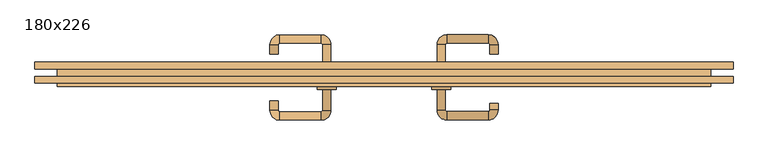
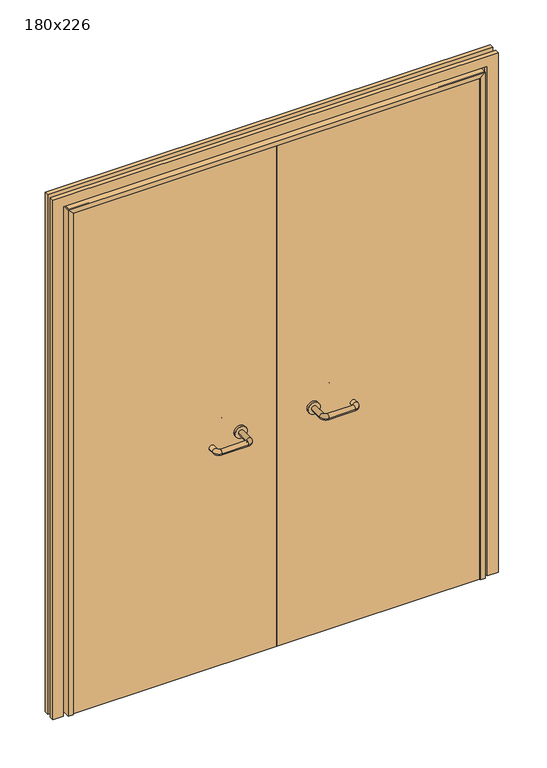
"""IFC4 building model written with IfcOpenShell, lengths in millimetres: door geometry, 180x226."""

import ifcopenshell
import ifcopenshell.guid

model = None  # the IFC model being written
_history = None  # IfcOwnerHistory: only IFC2X3 demands one
_inside = {}  # id of a spatial element -> (the spatial element, [elements in it])
_under = {}  # id of a project, library or spatial element -> (it, [spatial elements below it])
_declared = {}  # id of a project -> (the project, [libraries it declares])
_typed = {}  # id of a type object -> (the type object, [elements of that type])
_made_of = {}  # id of a material, layer set ... -> (it, [elements and type objects made of it])


def new_model(schema):
    """Start an empty IFC model of exactly this schema.

    Asked for "IFC4X3", IfcOpenShell would pick the latest addendum, in which some entities
    have other attributes; the version numbers below select the first issue.
    IFC2X3 requires an IfcOwnerHistory on every rooted entity: one is made here for all.
    """
    global model, _history
    if schema == "IFC4X3":
        model = ifcopenshell.file(schema_version=(4, 3, 0, 0))
    else:
        model = ifcopenshell.file(schema=schema)
    _inside.clear()
    _under.clear()
    _declared.clear()
    _typed.clear()
    _made_of.clear()
    _history = None
    if model.schema == "IFC2X3":
        org = make("IfcOrganization", Name="unknown")
        user = make(
            "IfcPersonAndOrganization",
            ThePerson=make("IfcPerson", FamilyName="unknown"),
            TheOrganization=org,
        )
        app = make(
            "IfcApplication",
            ApplicationDeveloper=org,
            Version="unknown",
            ApplicationFullName="unknown",
            ApplicationIdentifier="unknown",
        )
        _history = make(
            "IfcOwnerHistory",
            OwningUser=user,
            OwningApplication=app,
            ChangeAction="ADDED",
            CreationDate=0,
        )
    return model


def make(cls, **values):
    """One entity of the class cls with the attributes given. An attribute that is None is left unset."""
    return model.create_entity(
        cls, **{name: value for name, value in values.items() if value is not None}
    )


def rooted(cls, **values):
    """An entity with a GlobalId (a new one), such as an element, a storey or a relation."""
    return make(cls, GlobalId=ifcopenshell.guid.new(), OwnerHistory=_history, **values)


def si_unit(unit_type, name, prefix=None):
    """IfcSIUnit, for example si_unit("LENGTHUNIT", "METRE", prefix="MILLI")."""
    return make("IfcSIUnit", UnitType=unit_type, Prefix=prefix, Name=name)


def assignment(units):
    """IfcUnitAssignment: the units of a project."""
    return None if units is None else make("IfcUnitAssignment", Units=units)


def point(xyz):
    """IfcCartesianPoint."""
    return None if xyz is None else make("IfcCartesianPoint", Coordinates=xyz)


def direction(xyz):
    """IfcDirection."""
    return None if xyz is None else make("IfcDirection", DirectionRatios=xyz)


def frame(location, z_axis=None, x_axis=None):
    """IfcAxis2Placement3D, a coordinate frame: its origin and axes. An axis left out is left unset."""
    return make(
        "IfcAxis2Placement3D",
        Location=point(location),
        Axis=direction(z_axis),
        RefDirection=direction(x_axis),
    )


def frame_2d(location, x_axis=None):
    """IfcAxis2Placement2D, a coordinate frame in the plane: its origin and x axis."""
    return make(
        "IfcAxis2Placement2D", Location=point(location), RefDirection=direction(x_axis)
    )


def origin():
    """The frame at (0, 0, 0) with its axes left unset."""
    return frame((0.0, 0.0, 0.0))


def place(relative_to, where):
    """IfcLocalPlacement: puts the frame where relative to a parent placement (None: the world)."""
    return make(
        "IfcLocalPlacement", PlacementRelTo=relative_to, RelativePlacement=where
    )


def context(
    kind, dimensions, precision=None, world=None, true_north=None, identifier=None
):
    """IfcGeometricRepresentationContext, for example the 3D "Model" context."""
    return make(
        "IfcGeometricRepresentationContext",
        ContextIdentifier=identifier,
        ContextType=kind,
        CoordinateSpaceDimension=dimensions,
        Precision=precision,
        WorldCoordinateSystem=world,
        TrueNorth=true_north,
    )


def project(units=None, contexts=None):
    """IfcProject with its units and contexts."""
    return rooted(
        "IfcProject",
        Name="project",
        RepresentationContexts=contexts,
        UnitsInContext=assignment(units),
    )


def spatial(cls, under=None, at=None, **own):
    """A site, building, storey or space (cls), placed at a placement, below another one or the project."""
    s = rooted(cls, ObjectPlacement=at, **own)
    if under is not None:
        _under.setdefault(under.id(), (under, []))[1].append(s)
    return s


def polyline(points):
    """IfcPolyline through the points."""
    return make("IfcPolyline", Points=[point(p) for p in points])


def circle_curve(where, radius):
    """IfcCircle in the frame where."""
    return make("IfcCircle", Position=where, Radius=radius)


def ellipse_curve(where, semi_axis1, semi_axis2):
    """IfcEllipse in the frame where."""
    return make(
        "IfcEllipse", Position=where, SemiAxis1=semi_axis1, SemiAxis2=semi_axis2
    )


def trimmed(basis, trim1, trim2, sense, master):
    """IfcTrimmedCurve: the piece of a basis curve between two trims."""
    return make(
        "IfcTrimmedCurve",
        BasisCurve=basis,
        Trim1=trim1,
        Trim2=trim2,
        SenseAgreement=sense,
        MasterRepresentation=master,
    )


def segment(curve, same_sense, transition):
    """IfcCompositeCurveSegment."""
    return make(
        "IfcCompositeCurveSegment",
        Transition=transition,
        SameSense=same_sense,
        ParentCurve=curve,
    )


def composite_curve(segments, self_intersect=None):
    """IfcCompositeCurve: segments joined end to end."""
    return make("IfcCompositeCurve", Segments=segments, SelfIntersect=self_intersect)


def outline(outer, holes=None, kind="AREA"):
    """IfcArbitraryClosedProfileDef: a profile drawn as a closed curve; with holes, ...WithVoids."""
    if holes is None:
        return make("IfcArbitraryClosedProfileDef", ProfileType=kind, OuterCurve=outer)
    return make(
        "IfcArbitraryProfileDefWithVoids",
        ProfileType=kind,
        OuterCurve=outer,
        InnerCurves=holes,
    )


def extrude(swept, where, along, depth):
    """IfcExtrudedAreaSolid: the profile swept, set in the frame where, extruded along a direction by depth."""
    return make(
        "IfcExtrudedAreaSolid",
        SweptArea=swept,
        Position=where,
        ExtrudedDirection=direction(along),
        Depth=depth,
    )


def faces_of(points, faces, orient=None, outer=None):
    """IfcFace entities. A face is a list of loops; a loop is a list of indices into points, from 0.

    orient and outer hold one flag for each loop. By default every Orientation is true, the
    first loop of a face is its IfcFaceOuterBound and the others are IfcFaceBound.
    """
    made = []
    for i, loops in enumerate(faces):
        bounds = []
        for j, loop in enumerate(loops):
            is_outer = j == 0 if outer is None else outer[i][j]
            bounds.append(
                make(
                    "IfcFaceOuterBound" if is_outer else "IfcFaceBound",
                    Bound=make("IfcPolyLoop", Polygon=[points[k] for k in loop]),
                    Orientation=True if orient is None else orient[i][j],
                )
            )
        made.append(make("IfcFace", Bounds=bounds))
    return made


def faceted_brep(points, faces, orient=None, outer=None, voids=None):
    """IfcFacetedBrep: a solid bounded by flat faces; with voids (closed shells), ...WithVoids."""
    shared = [point(p) for p in points]
    hull = make("IfcClosedShell", CfsFaces=faces_of(shared, faces, orient, outer))
    if voids is None:
        return make("IfcFacetedBrep", Outer=hull)
    return make(
        "IfcFacetedBrepWithVoids",
        Outer=hull,
        Voids=[
            make(cls, CfsFaces=faces_of(shared, fs, o, b)) for cls, fs, o, b in voids
        ],
    )


def shape(context_of_items, identifier, shape_type, items):
    """IfcShapeRepresentation: the items that make up one representation, for example the "Body"."""
    return make(
        "IfcShapeRepresentation",
        ContextOfItems=context_of_items,
        RepresentationIdentifier=identifier,
        RepresentationType=shape_type,
        Items=items,
    )


def source(mapping_origin, context_of_items, identifier, shape_type, items):
    """IfcRepresentationMap: a shape defined once, which mapped items show again and again."""
    return make(
        "IfcRepresentationMap",
        MappingOrigin=mapping_origin,
        MappedRepresentation=shape(context_of_items, identifier, shape_type, items),
    )


def transform(
    local_origin,
    x_axis=None,
    y_axis=None,
    z_axis=None,
    scale=None,
    scale2=None,
    scale3=None,
    uniform=True,
):
    """IfcCartesianTransformationOperator3D, or its non-uniform kind. x_axis, y_axis, z_axis: its Axis1, 2, 3."""
    if uniform:
        return make(
            "IfcCartesianTransformationOperator3D",
            Axis1=direction(x_axis),
            Axis2=direction(y_axis),
            LocalOrigin=point(local_origin),
            Scale=scale,
            Axis3=direction(z_axis),
        )
    return make(
        "IfcCartesianTransformationOperator3DnonUniform",
        Axis1=direction(x_axis),
        Axis2=direction(y_axis),
        LocalOrigin=point(local_origin),
        Scale=scale,
        Axis3=direction(z_axis),
        Scale2=scale2,
        Scale3=scale3,
    )


def mapped(mapping_source, mapping_target):
    """IfcMappedItem: shows the shape of a source again, moved by a transform."""
    return make(
        "IfcMappedItem", MappingSource=mapping_source, MappingTarget=mapping_target
    )


def made_of(thing, what):
    """Note that an element or type object is made of a material, layer set ...; save() writes the relation."""
    if what is not None:
        _made_of.setdefault(what.id(), (what, []))[1].append(thing)
    return thing


def element(
    cls,
    number,
    at=None,
    inside=None,
    cuts=None,
    type_object=None,
    material=None,
    context=None,
    identifier="Body",
    shape_type=None,
    held_by="IfcProductDefinitionShape",
    body=None,
    shapes=None,
    **own,
):
    """One element of the class cls, such as IfcWall. Its Tag is "e" and its number.

    at: its placement. inside: the storey or other place that contains it. cuts: it is an
    opening in that element (IfcRelVoidsElement). A single representation is given by context,
    identifier, shape_type and body (its items); several are given by shapes. held_by: the class
    of the entity that holds the representations. save() writes the other relations.
    """
    e = rooted(cls, Tag="e%d" % number, ObjectPlacement=at, **own)
    if body is not None:
        shapes = [shape(context, identifier, shape_type, body)]
    if shapes is not None:
        e.Representation = make(held_by, Representations=shapes)
    if inside is not None:
        _inside.setdefault(inside.id(), (inside, []))[1].append(e)
    if cuts is not None:
        rooted(
            "IfcRelVoidsElement", RelatingBuildingElement=cuts, RelatedOpeningElement=e
        )
    if type_object is not None:
        _typed.setdefault(type_object.id(), (type_object, []))[1].append(e)
    return made_of(e, material)


def aggregate(whole, parts):
    """IfcRelAggregates: a whole, such as a stair, and the parts it consists of."""
    return rooted("IfcRelAggregates", RelatingObject=whole, RelatedObjects=parts)


def save(model, path):
    """Write the relations noted so far, then the file.

    IfcRelAggregates (storeys below a building ...), IfcRelContainedInSpatialStructure (elements
    in a storey), IfcRelDefinesByType, IfcRelAssociatesMaterial and IfcRelDeclares: one each for
    every whole, place, type object, material and project.
    """
    for whole, parts in _under.values():
        aggregate(whole, parts)
    for where, things in _inside.values():
        rooted(
            "IfcRelContainedInSpatialStructure",
            RelatedElements=things,
            RelatingStructure=where,
        )
    for kind, things in _typed.values():
        rooted("IfcRelDefinesByType", RelatedObjects=things, RelatingType=kind)
    for what, things in _made_of.values():
        rooted("IfcRelAssociatesMaterial", RelatedObjects=things, RelatingMaterial=what)
    for by, libraries in _declared.values():
        rooted("IfcRelDeclares", RelatingContext=by, RelatedDefinitions=libraries)
    model.write(path)


def plane_surface(at):
    """IfcPlane: the flat surface through the origin of the frame at, square to its z axis."""
    return make("IfcPlane", Position=at)


def cylinder_surface(at, radius):
    """IfcCylindricalSurface: all points at the distance radius from the z axis of the frame at."""
    return make("IfcCylindricalSurface", Position=at, Radius=radius)


def revolved_surface(curve, axis_point, axis_direction):
    """IfcSurfaceOfRevolution: the curve turned about the line through axis_point along axis_direction."""
    return make(
        "IfcSurfaceOfRevolution",
        SweptCurve=make("IfcArbitraryOpenProfileDef", ProfileType="CURVE", Curve=curve),
        AxisPosition=make("IfcAxis1Placement", Location=point(axis_point), Axis=direction(axis_direction)),
    )


def advanced_brep(points, edges, surfaces, faces):
    """IfcAdvancedBrep: a solid bounded by faces that lie on surfaces and meet in shared edges.

    An edge is (start, end): straight between two places in points (the first is 0);
    or (start, end, curve); or (start, end, curve, False) where it runs against its curve.
    A face is (place in surfaces, loops), or (place, loops, False) where it looks against
    its surface's normal. A loop lists edges by number (the first is 1), with a minus sign
    where the edge is run from its end to its start. The first loop is the outer one.
    """
    corners = [point(p) for p in points]
    vertices = [make("IfcVertexPoint", VertexGeometry=c) for c in corners]
    made = []
    for start, end, *more in edges:
        made.append(
            make(
                "IfcEdgeCurve",
                EdgeStart=vertices[start],
                EdgeEnd=vertices[end],
                EdgeGeometry=more[0] if more else make("IfcPolyline", Points=[corners[start], corners[end]]),
                SameSense=more[1] if len(more) > 1 else True,
            )
        )
    hull = []
    for where, loops, *sense in faces:
        bounds = []
        for j, loop in enumerate(loops):
            ring = [make("IfcOrientedEdge", EdgeElement=made[abs(k) - 1], Orientation=k > 0) for k in loop]
            bounds.append(
                make(
                    "IfcFaceOuterBound" if j == 0 else "IfcFaceBound",
                    Bound=make("IfcEdgeLoop", EdgeList=ring),
                    Orientation=True,
                )
            )
        hull.append(make("IfcAdvancedFace", Bounds=bounds, FaceSurface=surfaces[where], SameSense=sense[0] if sense else True))
    return make("IfcAdvancedBrep", Outer=make("IfcClosedShell", CfsFaces=hull))


def door_180x226_6fbded4a(model_context):
    return source(origin(), model_context, "Body", "SolidModel", [
        faceted_brep([(-847.0, -37.0, 0.0), (-868.0, -37.0, 0.0), (-868.0, 15.0, 0.0), (-847.0, 15.0, 0.0), (-847.0, 15.0, 2207.0), (-847.0, -37.0, 2207.0), (-868.0, 15.0, 2228.0), (-868.0, -37.0, 2228.0), (847.0, -37.0, 0.0), (847.0, 15.0, 0.0), (868.0, 15.0, 0.0), (868.0, -37.0, 0.0), (868.0, -37.0, 2228.0), (847.0, -37.0, 2207.0), (868.0, 15.0, 2228.0), (847.0, 15.0, 2207.0)], [[[0, 1, 2, 3]], [[0, 3, 4, 5]], [[3, 2, 6, 4]], [[2, 1, 7, 6]], [[1, 0, 5, 7]], [[8, 9, 10, 11]], [[12, 13, 8, 11]], [[14, 12, 11, 10]], [[15, 14, 10, 9]], [[13, 15, 9, 8]], [[5, 4, 15, 13]], [[4, 6, 14, 15]], [[6, 7, 12, 14]], [[7, 5, 13, 12]]]),
        extrude(outline(polyline([(2287.0, 927.0), (2287.0, -927.0), (0.0, -927.0), (0.0, -883.0), (2243.0, -883.0), (2243.0, 883.0), (0.0, 883.0), (0.0, 927.0), (2287.0, 927.0)])), frame((0.0, 10.0, 0.0), z_axis=(0.0, 1.0, 0.0), x_axis=(0.0, 0.0, 1.0)), (0.0, 0.0, 1.0), 18.0),
        extrude(outline(polyline([(2287.0, -927.0), (0.0, -927.0), (0.0, -883.0), (2243.0, -883.0), (2243.0, 883.0), (0.0, 883.0), (0.0, 927.0), (2287.0, 927.0), (2287.0, -927.0)])), frame((0.0, -28.0, 0.0), z_axis=(0.0, 1.0, 0.0), x_axis=(0.0, 0.0, 1.0)), (0.0, 0.0, 1.0), 18.0),
        extrude(outline(polyline([(2260.0, -900.0), (0.0, -900.0), (0.0, -868.0), (2228.0, -868.0), (2228.0, 868.0), (0.0, 868.0), (0.0, 900.0), (2260.0, 900.0), (2260.0, -900.0)])), frame((0.0, 10.0, 0.0), z_axis=(0.0, 1.0, 0.0), x_axis=(0.0, 0.0, 1.0)), (0.0, 0.0, 1.0), 5.0),
        advanced_brep(
        [(140.99898, -44.0, 1003.0), (162.99898, -44.0, 1003.0), (140.99898, -99.3525369, 1003.0), (162.99898, -99.3525369, 1003.0), (166.99898, -103.3525369, 1003.0), (166.99898, -125.3525369, 1003.0), (276.99898, -125.3525369, 1003.0), (276.99898, -103.3525369, 1003.0), (280.99898, -99.3525369, 1003.0), (302.99898, -99.3525369, 1003.0), (302.99898, -82.0, 1003.0), (280.99898, -82.0, 1003.0)],
        [
            (0, 1, circle_curve(frame((151.99898, -44.0, 1003.0), z_axis=(0.0, 1.0, 0.0), x_axis=(1.0, 0.0, 0.0)), 11.0)),
            (1, 0, circle_curve(frame((151.99898, -44.0, 1003.0), z_axis=(0.0, 1.0, 0.0), x_axis=(1.0, 0.0, 0.0)), 11.0)),
            (0, 2),
            (2, 3, circle_curve(frame((151.99898, -99.3525369, 1003.0), z_axis=(0.0, 1.0, 0.0), x_axis=(1.0, 0.0, 0.0)), 11.0)),
            (3, 1),
            (3, 2, circle_curve(frame((151.99898, -99.3525369, 1003.0), z_axis=(0.0, 1.0, 0.0), x_axis=(1.0, 0.0, 0.0)), 11.0)),
            (4, 3, circle_curve(frame((166.99898, -99.3525369, 1003.0), z_axis=(0.0, 0.0, -1.0), x_axis=(-1.0, 0.0, 0.0)), 4.0)),
            (2, 5, circle_curve(frame((166.99898, -99.3525369, 1003.0), z_axis=(0.0, 0.0, 1.0), x_axis=(-1.0, 0.0, 0.0)), 26.0)),
            (5, 4, circle_curve(frame((166.99898, -114.3525369, 1003.0), z_axis=(-1.0, 0.0, 0.0), x_axis=(0.0, 1.0, 0.0)), 11.0)),
            (4, 5, circle_curve(frame((166.99898, -114.3525369, 1003.0), z_axis=(-1.0, 0.0, 0.0), x_axis=(0.0, 1.0, 0.0)), 11.0)),
            (5, 6),
            (6, 7, circle_curve(frame((276.99898, -114.3525369, 1003.0), z_axis=(-1.0, 0.0, 0.0), x_axis=(0.0, 1.0, 0.0)), 11.0)),
            (7, 4),
            (7, 6, circle_curve(frame((276.99898, -114.3525369, 1003.0), z_axis=(-1.0, 0.0, 0.0), x_axis=(0.0, 1.0, 0.0)), 11.0)),
            (8, 7, circle_curve(frame((276.99898, -99.3525369, 1003.0), z_axis=(0.0, 0.0, -1.0), x_axis=(0.0, -1.0, 0.0)), 4.0)),
            (6, 9, circle_curve(frame((276.99898, -99.3525369, 1003.0), z_axis=(0.0, 0.0, 1.0), x_axis=(0.0, -1.0, 0.0)), 26.0)),
            (9, 8, circle_curve(frame((291.99898, -99.3525369, 1003.0), z_axis=(0.0, -1.0, 0.0), x_axis=(-1.0, 0.0, 0.0)), 11.0)),
            (8, 9, circle_curve(frame((291.99898, -99.3525369, 1003.0), z_axis=(0.0, -1.0, 0.0), x_axis=(-1.0, 0.0, 0.0)), 11.0)),
            (10, 11, circle_curve(frame((291.99898, -82.0, 1003.0), z_axis=(0.0, 1.0, 0.0), x_axis=(-1.0, 0.0, 0.0)), 11.0)),
            (11, 10, circle_curve(frame((291.99898, -82.0, 1003.0), z_axis=(0.0, 1.0, 0.0), x_axis=(-1.0, 0.0, 0.0)), 11.0)),
            (9, 10),
            (11, 8),
        ],
        [
            plane_surface(frame((140.99898, -44.0, 1003.0), z_axis=(0.0, 1.0, 0.0), x_axis=(0.0, 0.0, -1.0))),
            cylinder_surface(frame((151.99898, -44.0, 1003.0), z_axis=(0.0, 1.0, 0.0), x_axis=(1.0, 0.0, 0.0)), 11.0),
            revolved_surface(trimmed(ellipse_curve(frame((151.99898, -99.3525369, 1003.0), z_axis=(0.0, 1.0, 0.0), x_axis=(1.0, 0.0, 0.0)), 11.0, 11.0), [point((140.99898, -99.3525369, 1003.0))], [point((162.99898, -99.3525369, 1003.0))], True, "CARTESIAN"), (166.99898, -99.3525369, 1003.0), (0.0, 0.0, 1.0)),
            revolved_surface(trimmed(ellipse_curve(frame((151.99898, -99.3525369, 1003.0), z_axis=(0.0, 1.0, 0.0), x_axis=(1.0, 0.0, 0.0)), 11.0, 11.0), [point((162.99898, -99.3525369, 1003.0))], [point((140.99898, -99.3525369, 1003.0))], True, "CARTESIAN"), (166.99898, -99.3525369, 1003.0), (0.0, 0.0, 1.0)),
            cylinder_surface(frame((166.99898, -114.3525369, 1003.0), z_axis=(-1.0, 0.0, 0.0), x_axis=(0.0, 1.0, 0.0)), 11.0),
            revolved_surface(trimmed(ellipse_curve(frame((276.99898, -114.3525369, 1003.0), z_axis=(-1.0, 0.0, 0.0), x_axis=(0.0, 1.0, 0.0)), 11.0, 11.0), [point((276.99898, -125.3525369, 1003.0))], [point((276.99898, -103.3525369, 1003.0))], True, "CARTESIAN"), (276.99898, -99.3525369, 1003.0), (0.0, 0.0, 1.0)),
            revolved_surface(trimmed(ellipse_curve(frame((276.99898, -114.3525369, 1003.0), z_axis=(-1.0, 0.0, 0.0), x_axis=(0.0, 1.0, 0.0)), 11.0, 11.0), [point((276.99898, -103.3525369, 1003.0))], [point((276.99898, -125.3525369, 1003.0))], True, "CARTESIAN"), (276.99898, -99.3525369, 1003.0), (0.0, 0.0, 1.0)),
            plane_surface(frame((280.99898, -82.0, 1003.0), z_axis=(0.0, 1.0, 0.0), x_axis=(0.0, 0.0, 1.0))),
            cylinder_surface(frame((291.99898, -99.3525369, 1003.0), z_axis=(0.0, -1.0, 0.0), x_axis=(-1.0, 0.0, 0.0)), 11.0),
        ],
        [
            (0, [[1, 2]]),
            (1, [[-1, 3, 4, 5]]),
            (1, [[-2, -5, 6, -3]]),
            (2, [[7, -4, 8, 9]]),
            (3, [[-8, -6, -7, 10]]),
            (4, [[-9, 11, 12, 13]]),
            (4, [[-10, -13, 14, -11]]),
            (5, [[15, -12, 16, 17]]),
            (6, [[-16, -14, -15, 18]]),
            (7, [[19, 20]]),
            (8, [[-17, 21, -20, 22]]),
            (8, [[-18, -22, -19, -21]]),
        ],
    ),
        extrude(outline(composite_curve([segment(trimmed(circle_curve(frame_2d((1003.0, 151.99898)), 25.0), [point((1003.0, 126.99898))], [point((1003.0, 176.99898))], False, "CARTESIAN"), True, "CONTINUOUS"), segment(trimmed(circle_curve(frame_2d((1003.0, 151.99898)), 25.0), [point((1003.0, 176.99898))], [point((1003.0, 126.99898))], False, "CARTESIAN"), True, "CONTINUOUS")], self_intersect=False)), frame((0.0, -44.0, 0.0), z_axis=(0.0, 1.0, 0.0), x_axis=(0.0, 0.0, 1.0)), (0.0, 0.0, 1.0), 10.0),
        advanced_brep(
        [(162.99898, 20.0, 1003.0), (140.99898, 20.0, 1003.0), (162.99898, 75.0, 1003.0), (140.99898, 75.0, 1003.0), (166.99898, 101.0, 1003.0), (166.99898, 79.0, 1003.0), (276.99898, 79.0, 1003.0), (276.99898, 101.0, 1003.0), (302.99898, 75.0, 1003.0), (280.99898, 75.0, 1003.0), (280.99898, 50.0, 1003.0), (302.99898, 50.0, 1003.0)],
        [
            (0, 1, circle_curve(frame((151.99898, 20.0, 1003.0), z_axis=(0.0, -1.0, 0.0), x_axis=(-1.0, 0.0, 0.0)), 11.0)),
            (1, 0, circle_curve(frame((151.99898, 20.0, 1003.0), z_axis=(0.0, -1.0, 0.0), x_axis=(-1.0, 0.0, 0.0)), 11.0)),
            (0, 2),
            (2, 3, circle_curve(frame((151.99898, 75.0, 1003.0), z_axis=(0.0, -1.0, 0.0), x_axis=(-1.0, 0.0, 0.0)), 11.0)),
            (3, 1),
            (3, 2, circle_curve(frame((151.99898, 75.0, 1003.0), z_axis=(0.0, -1.0, 0.0), x_axis=(-1.0, 0.0, 0.0)), 11.0)),
            (4, 3, circle_curve(frame((166.99898, 75.0, 1003.0), z_axis=(0.0, 0.0, 1.0), x_axis=(-1.0, 0.0, 0.0)), 26.0)),
            (2, 5, circle_curve(frame((166.99898, 75.0, 1003.0), z_axis=(0.0, 0.0, -1.0), x_axis=(-1.0, 0.0, 0.0)), 4.0)),
            (5, 4, circle_curve(frame((166.99898, 90.0, 1003.0), z_axis=(-1.0, 0.0, 0.0), x_axis=(0.0, 1.0, 0.0)), 11.0)),
            (4, 5, circle_curve(frame((166.99898, 90.0, 1003.0), z_axis=(-1.0, 0.0, 0.0), x_axis=(0.0, 1.0, 0.0)), 11.0)),
            (5, 6),
            (6, 7, circle_curve(frame((276.99898, 90.0, 1003.0), z_axis=(-1.0, 0.0, 0.0), x_axis=(0.0, 1.0, 0.0)), 11.0)),
            (7, 4),
            (7, 6, circle_curve(frame((276.99898, 90.0, 1003.0), z_axis=(-1.0, 0.0, 0.0), x_axis=(0.0, 1.0, 0.0)), 11.0)),
            (8, 7, circle_curve(frame((276.99898, 75.0, 1003.0), z_axis=(0.0, 0.0, 1.0), x_axis=(0.0, 1.0, 0.0)), 26.0)),
            (6, 9, circle_curve(frame((276.99898, 75.0, 1003.0), z_axis=(0.0, 0.0, -1.0), x_axis=(0.0, 1.0, 0.0)), 4.0)),
            (9, 8, circle_curve(frame((291.99898, 75.0, 1003.0), z_axis=(0.0, 1.0, 0.0), x_axis=(1.0, 0.0, 0.0)), 11.0)),
            (8, 9, circle_curve(frame((291.99898, 75.0, 1003.0), z_axis=(0.0, 1.0, 0.0), x_axis=(1.0, 0.0, 0.0)), 11.0)),
            (10, 11, circle_curve(frame((291.99898, 50.0, 1003.0), z_axis=(0.0, -1.0, 0.0), x_axis=(1.0, 0.0, 0.0)), 11.0)),
            (11, 10, circle_curve(frame((291.99898, 50.0, 1003.0), z_axis=(0.0, -1.0, 0.0), x_axis=(1.0, 0.0, 0.0)), 11.0)),
            (9, 10),
            (11, 8),
        ],
        [
            plane_surface(frame((140.99898, 20.0, 1003.0), z_axis=(0.0, -1.0, 0.0), x_axis=(0.0, 0.0, 1.0))),
            cylinder_surface(frame((151.99898, 20.0, 1003.0), z_axis=(0.0, -1.0, 0.0), x_axis=(-1.0, 0.0, 0.0)), 11.0),
            revolved_surface(trimmed(ellipse_curve(frame((151.99898, 75.0, 1003.0), z_axis=(0.0, -1.0, 0.0), x_axis=(-1.0, 0.0, 0.0)), 11.0, 11.0), [point((162.99898, 75.0, 1003.0))], [point((140.99898, 75.0, 1003.0))], True, "CARTESIAN"), (166.99898, 75.0, 1003.0), (0.0, 0.0, -1.0)),
            revolved_surface(trimmed(ellipse_curve(frame((151.99898, 75.0, 1003.0), z_axis=(0.0, -1.0, 0.0), x_axis=(-1.0, 0.0, 0.0)), 11.0, 11.0), [point((140.99898, 75.0, 1003.0))], [point((162.99898, 75.0, 1003.0))], True, "CARTESIAN"), (166.99898, 75.0, 1003.0), (0.0, 0.0, -1.0)),
            cylinder_surface(frame((166.99898, 90.0, 1003.0), z_axis=(-1.0, 0.0, 0.0), x_axis=(0.0, 1.0, 0.0)), 11.0),
            revolved_surface(trimmed(ellipse_curve(frame((276.99898, 90.0, 1003.0), z_axis=(-1.0, 0.0, 0.0), x_axis=(0.0, 1.0, 0.0)), 11.0, 11.0), [point((276.99898, 79.0, 1003.0))], [point((276.99898, 101.0, 1003.0))], True, "CARTESIAN"), (276.99898, 75.0, 1003.0), (0.0, 0.0, -1.0)),
            revolved_surface(trimmed(ellipse_curve(frame((276.99898, 90.0, 1003.0), z_axis=(-1.0, 0.0, 0.0), x_axis=(0.0, 1.0, 0.0)), 11.0, 11.0), [point((276.99898, 101.0, 1003.0))], [point((276.99898, 79.0, 1003.0))], True, "CARTESIAN"), (276.99898, 75.0, 1003.0), (0.0, 0.0, -1.0)),
            plane_surface(frame((280.99898, 50.0, 1003.0), z_axis=(0.0, -1.0, 0.0), x_axis=(0.0, 0.0, -1.0))),
            cylinder_surface(frame((291.99898, 75.0, 1003.0), z_axis=(0.0, 1.0, 0.0), x_axis=(1.0, 0.0, 0.0)), 11.0),
        ],
        [
            (0, [[1, 2]]),
            (1, [[-1, 3, 4, 5]]),
            (1, [[-2, -5, 6, -3]]),
            (2, [[7, -4, 8, 9]]),
            (3, [[-8, -6, -7, 10]]),
            (4, [[-9, 11, 12, 13]]),
            (4, [[-10, -13, 14, -11]]),
            (5, [[15, -12, 16, 17]]),
            (6, [[-16, -14, -15, 18]]),
            (7, [[19, 20]]),
            (8, [[-17, 21, -20, 22]]),
            (8, [[-18, -22, -19, -21]]),
        ],
    ),
        extrude(outline(composite_curve([segment(trimmed(circle_curve(frame_2d((1003.0, 151.99898)), 25.0), [point((1003.0, 176.99898))], [point((1003.0, 126.99898))], False, "CARTESIAN"), True, "CONTINUOUS"), segment(trimmed(circle_curve(frame_2d((1003.0, 151.99898)), 25.0), [point((1003.0, 126.99898))], [point((1003.0, 176.99898))], False, "CARTESIAN"), True, "CONTINUOUS")], self_intersect=False)), frame((0.0, 10.0, 0.0), z_axis=(0.0, 1.0, 0.0), x_axis=(0.0, 0.0, 1.0)), (0.0, 0.0, 1.0), 10.0),
        advanced_brep(
        [(-162.99898, -44.3113879, 1003.0), (-140.99898, -44.3113879, 1003.0), (-162.99898, -99.7220447, 1003.0), (-140.99898, -99.7220447, 1003.0), (-166.99898, -125.7220447, 1003.0), (-166.99898, -103.7220447, 1003.0), (-276.99898, -103.7220447, 1003.0), (-276.99898, -125.7220447, 1003.0), (-302.99898, -99.7220447, 1003.0), (-280.99898, -99.7220447, 1003.0), (-280.99898, -74.7220447, 1003.0), (-302.99898, -74.7220447, 1003.0)],
        [
            (0, 1, circle_curve(frame((-151.99898, -44.3113879, 1003.0), z_axis=(0.0, 1.0, 0.0), x_axis=(1.0, 0.0, 0.0)), 11.0)),
            (1, 0, circle_curve(frame((-151.99898, -44.3113879, 1003.0), z_axis=(0.0, 1.0, 0.0), x_axis=(1.0, 0.0, 0.0)), 11.0)),
            (0, 2),
            (2, 3, circle_curve(frame((-151.99898, -99.7220447, 1003.0), z_axis=(0.0, 1.0, 0.0), x_axis=(1.0, 0.0, 0.0)), 11.0)),
            (3, 1),
            (3, 2, circle_curve(frame((-151.99898, -99.7220447, 1003.0), z_axis=(0.0, 1.0, 0.0), x_axis=(1.0, 0.0, 0.0)), 11.0)),
            (4, 3, circle_curve(frame((-166.99898, -99.7220447, 1003.0), z_axis=(0.0, 0.0, 1.0), x_axis=(1.0, 0.0, 0.0)), 26.0)),
            (2, 5, circle_curve(frame((-166.99898, -99.7220447, 1003.0), z_axis=(0.0, 0.0, -1.0), x_axis=(1.0, 0.0, 0.0)), 4.0)),
            (5, 4, circle_curve(frame((-166.99898, -114.7220447, 1003.0), z_axis=(1.0, 0.0, 0.0), x_axis=(0.0, -1.0, 0.0)), 11.0)),
            (4, 5, circle_curve(frame((-166.99898, -114.7220447, 1003.0), z_axis=(1.0, 0.0, 0.0), x_axis=(0.0, -1.0, 0.0)), 11.0)),
            (5, 6),
            (6, 7, circle_curve(frame((-276.99898, -114.7220447, 1003.0), z_axis=(1.0, 0.0, 0.0), x_axis=(0.0, -1.0, 0.0)), 11.0)),
            (7, 4),
            (7, 6, circle_curve(frame((-276.99898, -114.7220447, 1003.0), z_axis=(1.0, 0.0, 0.0), x_axis=(0.0, -1.0, 0.0)), 11.0)),
            (8, 7, circle_curve(frame((-276.99898, -99.7220447, 1003.0), z_axis=(0.0, 0.0, 1.0), x_axis=(0.0, -1.0, 0.0)), 26.0)),
            (6, 9, circle_curve(frame((-276.99898, -99.7220447, 1003.0), z_axis=(0.0, 0.0, -1.0), x_axis=(0.0, -1.0, 0.0)), 4.0)),
            (9, 8, circle_curve(frame((-291.99898, -99.7220447, 1003.0), z_axis=(0.0, -1.0, 0.0), x_axis=(-1.0, 0.0, 0.0)), 11.0)),
            (8, 9, circle_curve(frame((-291.99898, -99.7220447, 1003.0), z_axis=(0.0, -1.0, 0.0), x_axis=(-1.0, 0.0, 0.0)), 11.0)),
            (10, 11, circle_curve(frame((-291.99898, -74.7220447, 1003.0), z_axis=(0.0, 1.0, 0.0), x_axis=(-1.0, 0.0, 0.0)), 11.0)),
            (11, 10, circle_curve(frame((-291.99898, -74.7220447, 1003.0), z_axis=(0.0, 1.0, 0.0), x_axis=(-1.0, 0.0, 0.0)), 11.0)),
            (9, 10),
            (11, 8),
        ],
        [
            plane_surface(frame((-162.99898, -44.3113879, 1003.0), z_axis=(0.0, 1.0, 0.0), x_axis=(0.0, 0.0, -1.0))),
            cylinder_surface(frame((-151.99898, -44.3113879, 1003.0), z_axis=(0.0, 1.0, 0.0), x_axis=(1.0, 0.0, 0.0)), 11.0),
            revolved_surface(trimmed(ellipse_curve(frame((-151.99898, -99.7220447, 1003.0), z_axis=(0.0, 1.0, 0.0), x_axis=(1.0, 0.0, 0.0)), 11.0, 11.0), [point((-162.99898, -99.7220447, 1003.0))], [point((-140.99898, -99.7220447, 1003.0))], True, "CARTESIAN"), (-166.99898, -99.7220447, 1003.0), (0.0, 0.0, -1.0)),
            revolved_surface(trimmed(ellipse_curve(frame((-151.99898, -99.7220447, 1003.0), z_axis=(0.0, 1.0, 0.0), x_axis=(1.0, 0.0, 0.0)), 11.0, 11.0), [point((-140.99898, -99.7220447, 1003.0))], [point((-162.99898, -99.7220447, 1003.0))], True, "CARTESIAN"), (-166.99898, -99.7220447, 1003.0), (0.0, 0.0, -1.0)),
            cylinder_surface(frame((-166.99898, -114.7220447, 1003.0), z_axis=(1.0, 0.0, 0.0), x_axis=(0.0, -1.0, 0.0)), 11.0),
            revolved_surface(trimmed(ellipse_curve(frame((-276.99898, -114.7220447, 1003.0), z_axis=(1.0, 0.0, 0.0), x_axis=(0.0, -1.0, 0.0)), 11.0, 11.0), [point((-276.99898, -103.7220447, 1003.0))], [point((-276.99898, -125.7220447, 1003.0))], True, "CARTESIAN"), (-276.99898, -99.7220447, 1003.0), (0.0, 0.0, -1.0)),
            revolved_surface(trimmed(ellipse_curve(frame((-276.99898, -114.7220447, 1003.0), z_axis=(1.0, 0.0, 0.0), x_axis=(0.0, -1.0, 0.0)), 11.0, 11.0), [point((-276.99898, -125.7220447, 1003.0))], [point((-276.99898, -103.7220447, 1003.0))], True, "CARTESIAN"), (-276.99898, -99.7220447, 1003.0), (0.0, 0.0, -1.0)),
            plane_surface(frame((-302.99898, -74.7220447, 1003.0), z_axis=(0.0, 1.0, 0.0), x_axis=(0.0, 0.0, 1.0))),
            cylinder_surface(frame((-291.99898, -99.7220447, 1003.0), z_axis=(0.0, -1.0, 0.0), x_axis=(-1.0, 0.0, 0.0)), 11.0),
        ],
        [
            (0, [[1, 2]]),
            (1, [[-1, 3, 4, 5]]),
            (1, [[-2, -5, 6, -3]]),
            (2, [[7, -4, 8, 9]]),
            (3, [[-8, -6, -7, 10]]),
            (4, [[-9, 11, 12, 13]]),
            (4, [[-10, -13, 14, -11]]),
            (5, [[15, -12, 16, 17]]),
            (6, [[-16, -14, -15, 18]]),
            (7, [[19, 20]]),
            (8, [[-17, 21, -20, 22]]),
            (8, [[-18, -22, -19, -21]]),
        ],
    ),
        extrude(outline(composite_curve([segment(trimmed(circle_curve(frame_2d((1003.0, -151.99898)), 25.0), [point((1003.0, -176.99898))], [point((1003.0, -126.99898))], False, "CARTESIAN"), True, "CONTINUOUS"), segment(trimmed(circle_curve(frame_2d((1003.0, -151.99898)), 25.0), [point((1003.0, -126.99898))], [point((1003.0, -176.99898))], False, "CARTESIAN"), True, "CONTINUOUS")], self_intersect=False)), frame((0.0, -44.3113879, 0.0), z_axis=(0.0, 1.0, 0.0), x_axis=(0.0, 0.0, 1.0)), (0.0, 0.0, 1.0), 10.3113879),
        advanced_brep(
        [(-140.99898, 19.5143417, 1003.0), (-162.99898, 19.5143417, 1003.0), (-140.99898, 74.6104656, 1003.0), (-162.99898, 74.6104656, 1003.0), (-166.99898, 78.6104656, 1003.0), (-166.99898, 100.6104656, 1003.0), (-276.99898, 100.6104656, 1003.0), (-276.99898, 78.6104656, 1003.0), (-280.99898, 74.6104656, 1003.0), (-302.99898, 74.6104656, 1003.0), (-302.99898, 49.6104656, 1003.0), (-280.99898, 49.6104656, 1003.0)],
        [
            (0, 1, circle_curve(frame((-151.99898, 19.5143417, 1003.0), z_axis=(0.0, -1.0, 0.0), x_axis=(-1.0, 0.0, 0.0)), 11.0)),
            (1, 0, circle_curve(frame((-151.99898, 19.5143417, 1003.0), z_axis=(0.0, -1.0, 0.0), x_axis=(-1.0, 0.0, 0.0)), 11.0)),
            (0, 2),
            (2, 3, circle_curve(frame((-151.99898, 74.6104656, 1003.0), z_axis=(0.0, -1.0, 0.0), x_axis=(-1.0, 0.0, 0.0)), 11.0)),
            (3, 1),
            (3, 2, circle_curve(frame((-151.99898, 74.6104656, 1003.0), z_axis=(0.0, -1.0, 0.0), x_axis=(-1.0, 0.0, 0.0)), 11.0)),
            (4, 3, circle_curve(frame((-166.99898, 74.6104656, 1003.0), z_axis=(0.0, 0.0, -1.0), x_axis=(1.0, 0.0, 0.0)), 4.0)),
            (2, 5, circle_curve(frame((-166.99898, 74.6104656, 1003.0), z_axis=(0.0, 0.0, 1.0), x_axis=(1.0, 0.0, 0.0)), 26.0)),
            (5, 4, circle_curve(frame((-166.99898, 89.6104656, 1003.0), z_axis=(1.0, 0.0, 0.0), x_axis=(0.0, -1.0, 0.0)), 11.0)),
            (4, 5, circle_curve(frame((-166.99898, 89.6104656, 1003.0), z_axis=(1.0, 0.0, 0.0), x_axis=(0.0, -1.0, 0.0)), 11.0)),
            (5, 6),
            (6, 7, circle_curve(frame((-276.99898, 89.6104656, 1003.0), z_axis=(1.0, 0.0, 0.0), x_axis=(0.0, -1.0, 0.0)), 11.0)),
            (7, 4),
            (7, 6, circle_curve(frame((-276.99898, 89.6104656, 1003.0), z_axis=(1.0, 0.0, 0.0), x_axis=(0.0, -1.0, 0.0)), 11.0)),
            (8, 7, circle_curve(frame((-276.99898, 74.6104656, 1003.0), z_axis=(0.0, 0.0, -1.0), x_axis=(0.0, 1.0, 0.0)), 4.0)),
            (6, 9, circle_curve(frame((-276.99898, 74.6104656, 1003.0), z_axis=(0.0, 0.0, 1.0), x_axis=(0.0, 1.0, 0.0)), 26.0)),
            (9, 8, circle_curve(frame((-291.99898, 74.6104656, 1003.0), z_axis=(0.0, 1.0, 0.0), x_axis=(1.0, 0.0, 0.0)), 11.0)),
            (8, 9, circle_curve(frame((-291.99898, 74.6104656, 1003.0), z_axis=(0.0, 1.0, 0.0), x_axis=(1.0, 0.0, 0.0)), 11.0)),
            (10, 11, circle_curve(frame((-291.99898, 49.6104656, 1003.0), z_axis=(0.0, -1.0, 0.0), x_axis=(1.0, 0.0, 0.0)), 11.0)),
            (11, 10, circle_curve(frame((-291.99898, 49.6104656, 1003.0), z_axis=(0.0, -1.0, 0.0), x_axis=(1.0, 0.0, 0.0)), 11.0)),
            (9, 10),
            (11, 8),
        ],
        [
            plane_surface(frame((-162.99898, 19.5143417, 1003.0), z_axis=(0.0, -1.0, 0.0), x_axis=(0.0, 0.0, 1.0))),
            cylinder_surface(frame((-151.99898, 19.5143417, 1003.0), z_axis=(0.0, -1.0, 0.0), x_axis=(-1.0, 0.0, 0.0)), 11.0),
            revolved_surface(trimmed(ellipse_curve(frame((-151.99898, 74.6104656, 1003.0), z_axis=(0.0, -1.0, 0.0), x_axis=(-1.0, 0.0, 0.0)), 11.0, 11.0), [point((-140.99898, 74.6104656, 1003.0))], [point((-162.99898, 74.6104656, 1003.0))], True, "CARTESIAN"), (-166.99898, 74.6104656, 1003.0), (0.0, 0.0, 1.0)),
            revolved_surface(trimmed(ellipse_curve(frame((-151.99898, 74.6104656, 1003.0), z_axis=(0.0, -1.0, 0.0), x_axis=(-1.0, 0.0, 0.0)), 11.0, 11.0), [point((-162.99898, 74.6104656, 1003.0))], [point((-140.99898, 74.6104656, 1003.0))], True, "CARTESIAN"), (-166.99898, 74.6104656, 1003.0), (0.0, 0.0, 1.0)),
            cylinder_surface(frame((-166.99898, 89.6104656, 1003.0), z_axis=(1.0, 0.0, 0.0), x_axis=(0.0, -1.0, 0.0)), 11.0),
            revolved_surface(trimmed(ellipse_curve(frame((-276.99898, 89.6104656, 1003.0), z_axis=(1.0, 0.0, 0.0), x_axis=(0.0, -1.0, 0.0)), 11.0, 11.0), [point((-276.99898, 100.6104656, 1003.0))], [point((-276.99898, 78.6104656, 1003.0))], True, "CARTESIAN"), (-276.99898, 74.6104656, 1003.0), (0.0, 0.0, 1.0)),
            revolved_surface(trimmed(ellipse_curve(frame((-276.99898, 89.6104656, 1003.0), z_axis=(1.0, 0.0, 0.0), x_axis=(0.0, -1.0, 0.0)), 11.0, 11.0), [point((-276.99898, 78.6104656, 1003.0))], [point((-276.99898, 100.6104656, 1003.0))], True, "CARTESIAN"), (-276.99898, 74.6104656, 1003.0), (0.0, 0.0, 1.0)),
            plane_surface(frame((-302.99898, 49.6104656, 1003.0), z_axis=(0.0, -1.0, 0.0), x_axis=(0.0, 0.0, -1.0))),
            cylinder_surface(frame((-291.99898, 74.6104656, 1003.0), z_axis=(0.0, 1.0, 0.0), x_axis=(1.0, 0.0, 0.0)), 11.0),
        ],
        [
            (0, [[1, 2]]),
            (1, [[-1, 3, 4, 5]]),
            (1, [[-2, -5, 6, -3]]),
            (2, [[7, -4, 8, 9]]),
            (3, [[-8, -6, -7, 10]]),
            (4, [[-9, 11, 12, 13]]),
            (4, [[-10, -13, 14, -11]]),
            (5, [[15, -12, 16, 17]]),
            (6, [[-16, -14, -15, 18]]),
            (7, [[19, 20]]),
            (8, [[-17, 21, -20, 22]]),
            (8, [[-18, -22, -19, -21]]),
        ],
    ),
        extrude(outline(composite_curve([segment(trimmed(circle_curve(frame_2d((1003.0, -151.99898)), 25.0), [point((1003.0, -126.99898))], [point((1003.0, -176.99898))], False, "CARTESIAN"), True, "CONTINUOUS"), segment(trimmed(circle_curve(frame_2d((1003.0, -151.99898)), 25.0), [point((1003.0, -176.99898))], [point((1003.0, -126.99898))], False, "CARTESIAN"), True, "CONTINUOUS")], self_intersect=False)), frame((0.0, 10.0, 0.0), z_axis=(0.0, 1.0, 0.0), x_axis=(0.0, 0.0, 1.0)), (0.0, 0.0, 1.0), 9.5143417),
        extrude(outline(polyline([(1.0739506, -34.0), (-865.0, -34.0), (-865.0, 10.0), (1.0739506, 10.0), (1.0739506, -34.0)])), frame((0.0, 0.0, 1.753223), z_axis=(0.0, 0.0, 1.0), x_axis=(1.0, 0.0, 0.0)), (0.0, 0.0, 1.0), 2226.246777),
        extrude(outline(polyline([(865.0, -34.0), (1.0739506, -34.0), (1.0739506, 10.0), (865.0, 10.0), (865.0, -34.0)])), frame((0.0, 0.0, 1.753223), z_axis=(0.0, 0.0, 1.0), x_axis=(1.0, 0.0, 0.0)), (0.0, 0.0, 1.0), 2226.246777),
    ])


if __name__ == "__main__":
    model = new_model("IFC4")
    model_context = context("Model", 3, world=origin())
    ifc_project = project(units=[si_unit("LENGTHUNIT", "METRE", prefix="MILLI")], contexts=[model_context])
    site = spatial("IfcSite", under=ifc_project)
    building = spatial("IfcBuilding", under=site)
    placement = place(None, origin())
    door_180x226_shape = door_180x226_6fbded4a(model_context)
    element("IfcDoor", 1, ObjectType="180x226", at=placement, inside=building, context=model_context, shape_type="MappedRepresentation", body=[
        mapped(door_180x226_shape, transform((0.0, 0.0, 0.0), x_axis=(1.0, 0.0, 0.0), y_axis=(0.0, 1.0, 0.0), z_axis=(0.0, 0.0, 1.0))),
    ])
    save(model, "model.ifc")
